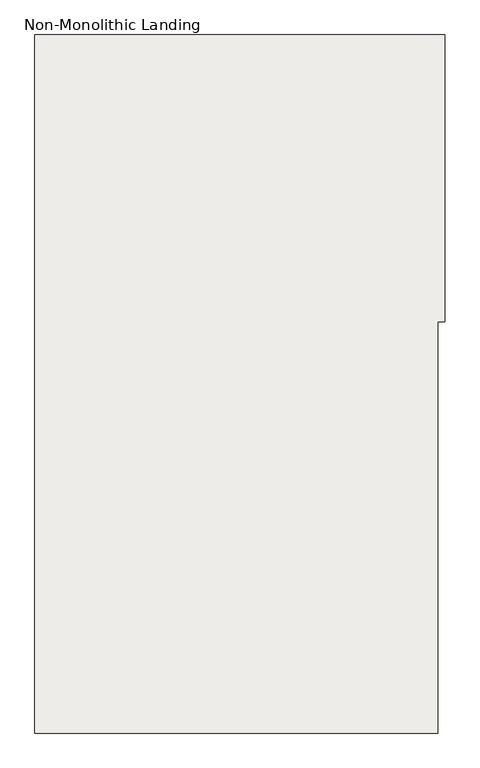
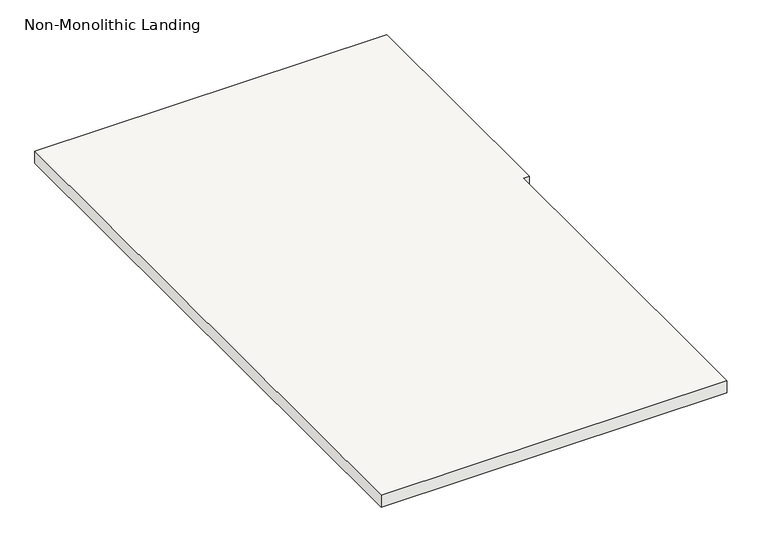
"""IFC4 building model written with IfcOpenShell, lengths in millimetres: slab geometry, Non-Monolithic Landing."""

from ifc_helpers import new_model, si_unit, frame, origin, place, context, project, spatial, polyline, outline, extrude, source, transform, mapped, element, save


def non_monolithic_landing_8e4f9158(model_context):
    return source(origin(), model_context, "Body", "SweptSolid", [
        extrude(outline(polyline([(2762.0029953, 474.8225734), (1336.491785, 474.8225734), (1336.491785, 2946.3857033), (2762.0029953, 2946.3857033), (2787.4029953, 2946.3857033), (2787.4029953, 1930.3857033), (2762.0029953, 1930.3857033), (2762.0029953, 1490.8225734), (2762.0029953, 474.8225734)])), frame((0.0, 0.0, 4892.675), z_axis=(0.0, 0.0, 1.0), x_axis=(1.0, 0.0, 0.0)), (0.0, 0.0, 1.0), 50.8),
    ])


if __name__ == "__main__":
    model = new_model("IFC4")
    model_context = context("Model", 3, world=origin())
    ifc_project = project(units=[si_unit("LENGTHUNIT", "METRE", prefix="MILLI")], contexts=[model_context])
    site = spatial("IfcSite", under=ifc_project)
    building = spatial("IfcBuilding", under=site)
    placement = place(None, origin())
    non_monolithic_landing_shape = non_monolithic_landing_8e4f9158(model_context)
    element("IfcSlab", 1, ObjectType="Non-Monolithic Landing", at=placement, inside=building, context=model_context, shape_type="MappedRepresentation", body=[
        mapped(non_monolithic_landing_shape, transform((0.0, 0.0, 0.0), x_axis=(1.0, 0.0, 0.0), y_axis=(0.0, 1.0, 0.0), z_axis=(0.0, 0.0, 1.0))),
    ])
    save(model, "model.ifc")
